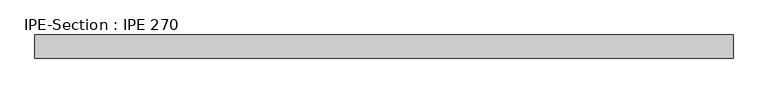
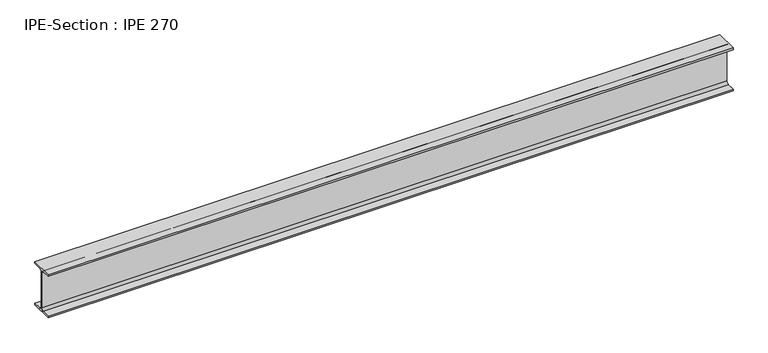
"""IFC4 building model written with IfcOpenShell, lengths in millimetres: beam geometry, IPE-Section : IPE 270."""

from ifc_helpers import new_model, si_unit, point, frame, frame_2d, origin, place, context, project, spatial, polyline, circle_curve, trimmed, segment, composite_curve, outline, extrude, source, transform, mapped, element, save


def ipe_section_ipe_270_cba85eff(model_context):
    return source(origin(), model_context, "Body", "SweptSolid", [
        extrude(outline(composite_curve([segment(polyline([(67.5, -124.8), (67.5, -135.0), (-67.5, -135.0), (-67.5, -124.8), (-18.3, -124.8)]), True, "CONTINUOUS"), segment(trimmed(circle_curve(frame_2d((-18.3, -109.8)), 15.0), [point((-18.3, -124.8))], [point((-3.3, -109.8))], True, "CARTESIAN"), True, "CONTINUOUS"), segment(polyline([(-3.3, -109.8), (-3.3, 109.8)]), True, "CONTINUOUS"), segment(trimmed(circle_curve(frame_2d((-18.3, 109.8)), 15.0), [point((-3.3, 109.8))], [point((-18.3, 124.8))], True, "CARTESIAN"), True, "CONTINUOUS"), segment(polyline([(-18.3, 124.8), (-67.5, 124.8), (-67.5, 135.0), (67.5, 135.0), (67.5, 124.8), (18.3, 124.8)]), True, "CONTINUOUS"), segment(trimmed(circle_curve(frame_2d((18.3, 109.8)), 15.0), [point((18.3, 124.8))], [point((3.3, 109.8))], True, "CARTESIAN"), True, "CONTINUOUS"), segment(polyline([(3.3, 109.8), (3.3, -109.8)]), True, "CONTINUOUS"), segment(trimmed(circle_curve(frame_2d((18.3, -109.8)), 15.0), [point((3.3, -109.8))], [point((18.3, -124.8))], True, "CARTESIAN"), True, "CONTINUOUS"), segment(polyline([(18.3, -124.8), (67.5, -124.8)]), True, "CONTINUOUS")], self_intersect=False)), frame((-2029.8018833, 0.0, 0.0), z_axis=(1.0, 0.0, 0.0), x_axis=(0.0, 1.0, 0.0)), (0.0, 0.0, 1.0), 4074.6037665),
    ])


if __name__ == "__main__":
    model = new_model("IFC4")
    model_context = context("Model", 3, world=origin())
    ifc_project = project(units=[si_unit("LENGTHUNIT", "METRE", prefix="MILLI")], contexts=[model_context])
    site = spatial("IfcSite", under=ifc_project)
    building = spatial("IfcBuilding", under=site)
    placement = place(None, origin())
    ipe_section_ipe_270_shape = ipe_section_ipe_270_cba85eff(model_context)
    element("IfcBeam", 1, ObjectType="IPE-Section : IPE 270", at=placement, inside=building, context=model_context, shape_type="MappedRepresentation", body=[
        mapped(ipe_section_ipe_270_shape, transform((0.0, 0.0, 0.0), x_axis=(1.0, 0.0, 0.0), y_axis=(0.0, 1.0, 0.0), z_axis=(0.0, 0.0, 1.0))),
    ])
    save(model, "model.ifc")
